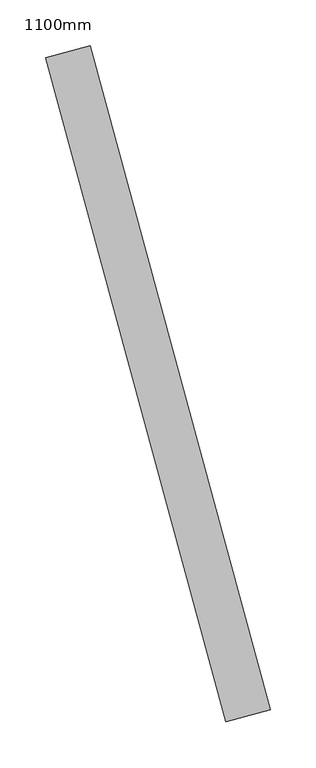
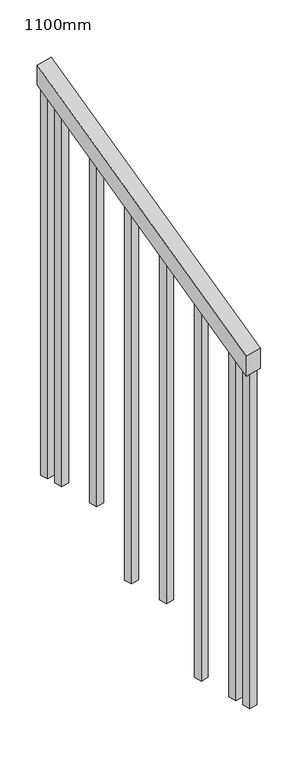
"""IFC4 building model written with IfcOpenShell, lengths in millimetres: railing geometry, 1100mm."""

from ifc_helpers import new_model, si_unit, frame, origin, place, context, project, spatial, polyline, outline, extrude, source, transform, mapped, element, save


def railing_1100mm_54b980c4(model_context):
    return source(origin(), model_context, "Body", "SweptSolid", [
        extrude(outline(polyline([(-35.5555555, -50.0), (0.0, 0.0), (920.2958461, 0.0), (884.7402906, -50.0), (-35.5555555, -50.0)])), frame((188711.2262951, 79349.6727167, 1277.7777778), z_axis=(0.9649894123601854, 0.2622888370341834, 0.0), x_axis=(-0.21375368431595335, 0.786423259755404, 0.579523786360008)), (0.0, 0.0, 1.0), 50.0),
        extrude(outline(polyline([(108.8888889, 0.0), (91.1111112, 25.0), (1271.980277, 25.0), (1271.980277, 0.0), (108.8888889, 0.0)])), frame((188546.2436978, 80004.3191805, 1805.3136103), z_axis=(0.9649894123601821, 0.2622888370341949, 0.0), x_axis=(0.0, 0.0, -1.0)), (0.0, 0.0, 1.0), 25.0),
        extrude(outline(polyline([(108.8888889, 0.0), (91.1111111, 25.0), (1183.0913881, 25.0), (1183.0913881, 0.0), (108.8888889, 0.0)])), frame((188579.0298024, 79883.695504, 1716.4247214), z_axis=(0.9649894123601821, 0.2622888370341949, 0.0), x_axis=(0.0, 0.0, -1.0)), (0.0, 0.0, 1.0), 25.0),
        extrude(outline(polyline([(108.8888889, 0.0), (91.1111111, 25.0000001), (1271.9802769, 25.0000001), (1271.9802769, 0.0), (108.8888889, 0.0)])), frame((188611.8159071, 79763.0718274, 1627.5358325), z_axis=(0.9649894123601821, 0.2622888370341949, 0.0), x_axis=(0.0, 0.0, -1.0)), (0.0, 0.0, 1.0), 25.0),
        extrude(outline(polyline([(108.8888889, 0.0), (91.1111111, 25.0), (1183.091388, 25.0), (1183.091388, 0.0), (108.8888889, 0.0)])), frame((188644.6020117, 79642.4481509, 1538.6469436), z_axis=(0.9649894123601821, 0.2622888370341949, 0.0), x_axis=(0.0, 0.0, -1.0)), (0.0, 0.0, 1.0), 25.0),
        extrude(outline(polyline([(108.8888889, 0.0), (91.1111111, 25.0), (1271.9802769, 25.0), (1271.9802769, 0.0), (108.8888889, 0.0)])), frame((188677.3881163, 79521.8244744, 1449.7580547), z_axis=(0.9649894123601821, 0.2622888370341949, 0.0), x_axis=(0.0, 0.0, -1.0)), (0.0, 0.0, 1.0), 25.0),
        extrude(outline(polyline([(108.8888889, 0.0), (91.1111111, 25.0), (1183.091388, 25.0), (1183.091388, 0.0), (108.8888889, 0.0)])), frame((188710.1742209, 79401.2007978, 1360.8691658), z_axis=(0.9649894123601821, 0.2622888370341949, 0.0), x_axis=(0.0, 0.0, -1.0)), (0.0, 0.0, 1.0), 25.0),
        extrude(outline(polyline([(108.8888889, 0.0), (91.1111111, 25.0), (1307.5358325, 25.0), (1307.5358325, 0.0), (108.8888889, 0.0)])), frame((188533.1292559, 80052.5686512, 1840.8691658), z_axis=(0.9649894123601821, 0.2622888370341949, 0.0), x_axis=(0.0, 0.0, -1.0)), (0.0, 0.0, 1.0), 25.0),
        extrude(outline(polyline([(108.8888889, 0.0), (91.1111112, 25.0), (1147.5358325, 25.0), (1147.5358325, 0.0), (108.8888889, 0.0)])), frame((188723.2886628, 79352.9513272, 1325.3136103), z_axis=(0.9649894123601821, 0.2622888370341949, 0.0), x_axis=(0.0, 0.0, -1.0)), (0.0, 0.0, 1.0), 25.0),
    ])


if __name__ == "__main__":
    model = new_model("IFC4")
    model_context = context("Model", 3, world=origin())
    ifc_project = project(units=[si_unit("LENGTHUNIT", "METRE", prefix="MILLI")], contexts=[model_context])
    site = spatial("IfcSite", under=ifc_project)
    building = spatial("IfcBuilding", under=site)
    placement = place(None, origin())
    railing_1100mm_shape = railing_1100mm_54b980c4(model_context)
    element("IfcRailing", 1, ObjectType="1100mm", at=placement, inside=building, context=model_context, shape_type="MappedRepresentation", body=[
        mapped(railing_1100mm_shape, transform((0.0, 0.0, 0.0), x_axis=(1.0, 0.0, 0.0), y_axis=(0.0, 1.0, 0.0), z_axis=(0.0, 0.0, 1.0))),
    ])
    save(model, "model.ifc")
